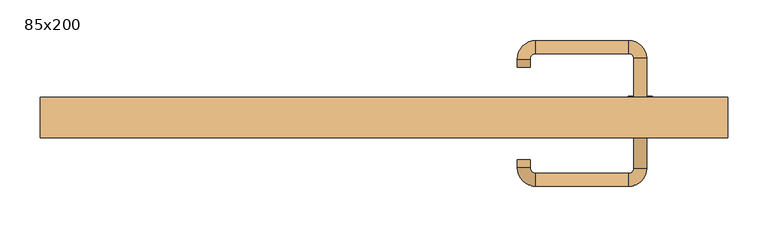
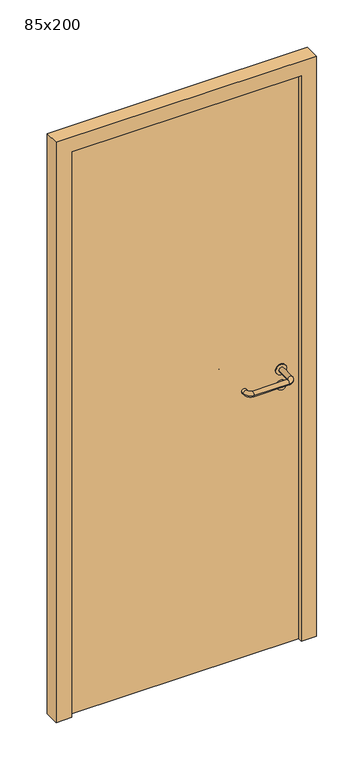
"""IFC4 building model written with IfcOpenShell, lengths in millimetres: door geometry, 85x200."""

from ifc_helpers import new_model, si_unit, point, frame, frame_2d, origin, origin_with_axes, place, context, project, spatial, polyline, circle_curve, ellipse_curve, trimmed, segment, composite_curve, outline, extrude, source, transform, mapped, element, save
from ifc_brep_helpers import plane_surface, cylinder_surface, revolved_surface, advanced_brep


def door_85x200_e581854b(model_context):
    return source(origin(), model_context, "Body", "SolidModel", [
        extrude(outline(composite_curve([segment(trimmed(circle_curve(frame_2d((897.3605726, 317.0)), 15.0), [point((897.3605726, 332.0))], [point((897.3605726, 302.0))], False, "CARTESIAN"), True, "CONTINUOUS"), segment(trimmed(circle_curve(frame_2d((897.3605726, 317.0)), 15.0), [point((897.3605726, 302.0))], [point((897.3605726, 332.0))], False, "CARTESIAN"), True, "CONTINUOUS")], self_intersect=False), holes=[composite_curve([segment(trimmed(circle_curve(frame_2d((892.5833211, 316.9398032)), 2.0), [point((892.5833211, 318.9398032))], [point((892.5833211, 314.9398032))], True, "CARTESIAN"), True, "CONTINUOUS"), segment(polyline([(892.5833211, 314.9398032), (902.5833211, 314.9398032)]), True, "CONTINUOUS"), segment(trimmed(circle_curve(frame_2d((902.5833211, 316.9398032)), 2.0), [point((902.5833211, 314.9398032))], [point((902.5833211, 318.9398032))], True, "CARTESIAN"), True, "CONTINUOUS"), segment(polyline([(902.5833211, 318.9398032), (892.5833211, 318.9398032)]), True, "CONTINUOUS")], self_intersect=False)]), frame((0.0, 43.65, 0.0), z_axis=(0.0, 1.0, 0.0), x_axis=(0.0, 0.0, 1.0)), (0.0, 0.0, 1.0), 6.35),
        extrude(outline(composite_curve([segment(trimmed(circle_curve(frame_2d((950.0, 317.0)), 17.526), [point((950.0, 334.526))], [point((950.0, 299.474))], False, "CARTESIAN"), True, "CONTINUOUS"), segment(trimmed(circle_curve(frame_2d((950.0, 317.0)), 17.526), [point((950.0, 299.474))], [point((950.0, 334.526))], False, "CARTESIAN"), True, "CONTINUOUS")], self_intersect=False)), frame((0.0, 46.825, 0.0), z_axis=(0.0, 1.0, 0.0), x_axis=(0.0, 0.0, 1.0)), (0.0, 0.0, 1.0), 3.175),
        advanced_brep(
        [(325.0, 50.0, 950.0), (309.0, 50.0, 950.0), (309.0, -3.0, 950.0), (325.0, -3.0, 950.0), (302.8578644, -9.1421356, 950.0), (302.8578644, -25.1421356, 950.0), (187.8578644, -9.1421356, 950.0), (187.8578644, -25.1421356, 950.0), (181.008622, -2.2928932, 950.0), (165.008622, -2.2928932, 950.0), (165.008622, 7.7071068, 950.0), (181.008622, 7.7071068, 950.0)],
        [
            (0, 1, circle_curve(frame((317.0, 50.0, 950.0), z_axis=(0.0, 1.0, 0.0), x_axis=(-1.0, 0.0, 0.0)), 8.0)),
            (1, 0, circle_curve(frame((317.0, 50.0, 950.0), z_axis=(0.0, 1.0, 0.0), x_axis=(-1.0, 0.0, 0.0)), 8.0)),
            (1, 2),
            (2, 3, circle_curve(frame((317.0, -3.0, 950.0), z_axis=(0.0, 1.0, 0.0), x_axis=(-1.0, 0.0, 0.0)), 8.0)),
            (3, 0),
            (3, 2, circle_curve(frame((317.0, -3.0, 950.0), z_axis=(0.0, 1.0, 0.0), x_axis=(-1.0, 0.0, 0.0)), 8.0)),
            (4, 5, circle_curve(frame((302.8578644, -17.1421356, 950.0), z_axis=(1.0, 0.0, 0.0), x_axis=(0.0, 1.0, 0.0)), 8.0)),
            (5, 3, circle_curve(frame((302.8578644, -3.0, 950.0), z_axis=(0.0, 0.0, 1.0), x_axis=(1.0, 0.0, 0.0)), 22.1421356)),
            (2, 4, circle_curve(frame((302.8578644, -3.0, 950.0), z_axis=(0.0, 0.0, -1.0), x_axis=(1.0, 0.0, 0.0)), 6.1421356)),
            (5, 4, circle_curve(frame((302.8578644, -17.1421356, 950.0), z_axis=(1.0, 0.0, 0.0), x_axis=(0.0, 1.0, 0.0)), 8.0)),
            (4, 6),
            (6, 7, circle_curve(frame((187.8578644, -17.1421356, 950.0), z_axis=(1.0, 0.0, 0.0), x_axis=(0.0, 1.0, 0.0)), 8.0)),
            (7, 5),
            (7, 6, circle_curve(frame((187.8578644, -17.1421356, 950.0), z_axis=(1.0, 0.0, 0.0), x_axis=(0.0, 1.0, 0.0)), 8.0)),
            (8, 9, circle_curve(frame((173.008622, -2.2928932, 950.0), z_axis=(0.0, -1.0, 0.0), x_axis=(1.0, 0.0, 0.0)), 8.0)),
            (9, 7, circle_curve(frame((187.8578644, -2.2928932, 950.0), z_axis=(0.0, 0.0, 1.0), x_axis=(0.0, -1.0, 0.0)), 22.8492424)),
            (6, 8, circle_curve(frame((187.8578644, -2.2928932, 950.0), z_axis=(0.0, 0.0, -1.0), x_axis=(0.0, -1.0, 0.0)), 6.8492424)),
            (9, 8, circle_curve(frame((173.008622, -2.2928932, 950.0), z_axis=(0.0, -1.0, 0.0), x_axis=(1.0, 0.0, 0.0)), 8.0)),
            (10, 11, circle_curve(frame((173.008622, 7.7071068, 950.0), z_axis=(0.0, 1.0, 0.0), x_axis=(1.0, 0.0, 0.0)), 8.0)),
            (11, 10, circle_curve(frame((173.008622, 7.7071068, 950.0), z_axis=(0.0, 1.0, 0.0), x_axis=(1.0, 0.0, 0.0)), 8.0)),
            (8, 11),
            (10, 9),
        ],
        [
            plane_surface(frame((317.0, 50.0, 170.0), z_axis=(0.0, 1.0, 0.0), x_axis=(0.0, 0.0, 1.0))),
            cylinder_surface(frame((317.0, 50.0, 950.0), z_axis=(0.0, 1.0, 0.0), x_axis=(-1.0, 0.0, 0.0)), 8.0),
            revolved_surface(trimmed(ellipse_curve(frame((317.0, -3.0, 950.0), z_axis=(0.0, -1.0, 0.0), x_axis=(-1.0, 0.0, 0.0)), 8.0, 8.0), [point((325.0, -3.0, 950.0))], [point((309.0, -3.0, 950.0))], True, "CARTESIAN"), (302.8578644, -3.0, 170.0), (0.0, 0.0, 1.0)),
            revolved_surface(trimmed(ellipse_curve(frame((317.0, -3.0, 950.0), z_axis=(0.0, -1.0, 0.0), x_axis=(-1.0, 0.0, 0.0)), 8.0, 8.0), [point((309.0, -3.0, 950.0))], [point((325.0, -3.0, 950.0))], True, "CARTESIAN"), (302.8578644, -3.0, 170.0), (0.0, 0.0, 1.0)),
            cylinder_surface(frame((302.8578644, -17.1421356, 950.0), z_axis=(1.0, 0.0, 0.0), x_axis=(0.0, 1.0, 0.0)), 8.0),
            revolved_surface(trimmed(ellipse_curve(frame((187.8578644, -17.1421356, 950.0), z_axis=(-1.0, 0.0, 0.0), x_axis=(0.0, 1.0, 0.0)), 8.0, 8.0), [point((187.8578644, -25.1421356, 950.0))], [point((187.8578644, -9.1421356, 950.0))], True, "CARTESIAN"), (187.8578644, -2.2928932, 170.0), (0.0, 0.0, 1.0)),
            revolved_surface(trimmed(ellipse_curve(frame((187.8578644, -17.1421356, 950.0), z_axis=(-1.0, 0.0, 0.0), x_axis=(0.0, 1.0, 0.0)), 8.0, 8.0), [point((187.8578644, -9.1421356, 950.0))], [point((187.8578644, -25.1421356, 950.0))], True, "CARTESIAN"), (187.8578644, -2.2928932, 170.0), (0.0, 0.0, 1.0)),
            plane_surface(frame((173.008622, 7.7071068, 170.0), z_axis=(0.0, 1.0, 0.0), x_axis=(0.0, 0.0, 1.0))),
            cylinder_surface(frame((173.008622, -2.2928932, 950.0), z_axis=(0.0, -1.0, 0.0), x_axis=(1.0, 0.0, 0.0)), 8.0),
        ],
        [
            (0, [[1, 2]]),
            (1, [[3, 4, 5, -2]]),
            (1, [[-5, 6, -3, -1]]),
            (2, [[7, 8, -4, 9]]),
            (3, [[10, -9, -6, -8]]),
            (4, [[11, 12, 13, -7]]),
            (4, [[-13, 14, -11, -10]]),
            (5, [[15, 16, -12, 17]]),
            (6, [[18, -17, -14, -16]]),
            (7, [[19, 20]]),
            (8, [[21, -19, 22, -15]]),
            (8, [[-22, -20, -21, -18]]),
        ],
    ),
        extrude(outline(composite_curve([segment(trimmed(circle_curve(frame_2d((0.0, -15.0)), 15.0), [point((0.0, -30.0))], [point((0.0, 0.0))], False, "CARTESIAN"), True, "CONTINUOUS"), segment(trimmed(circle_curve(frame_2d((0.0, -15.0)), 15.0), [point((0.0, 0.0))], [point((0.0, -30.0))], False, "CARTESIAN"), True, "CONTINUOUS")], self_intersect=False), holes=[composite_curve([segment(trimmed(circle_curve(frame_2d((4.7772515, -14.9398032)), 2.0), [point((4.7772515, -16.9398032))], [point((4.7772515, -12.9398032))], True, "CARTESIAN"), True, "CONTINUOUS"), segment(polyline([(4.7772515, -12.9398032), (-5.2227485, -12.9398032)]), True, "CONTINUOUS"), segment(trimmed(circle_curve(frame_2d((-5.2227485, -14.9398032)), 2.0), [point((-5.2227485, -12.9398032))], [point((-5.2227485, -16.9398032))], True, "CARTESIAN"), True, "CONTINUOUS"), segment(polyline([(-5.2227485, -16.9398032), (4.7772515, -16.9398032)]), True, "CONTINUOUS")], self_intersect=False)]), frame((302.0, 80.0, 897.3605726), z_axis=(1.8870575173328306e-12, 1.0, 0.0), x_axis=(0.0, 0.0, -1.0)), (0.0, 0.0, 1.0), 6.35),
        extrude(outline(composite_curve([segment(trimmed(circle_curve(frame_2d((0.0, -17.526)), 17.526), [point((0.0, -35.052))], [point((0.0, 0.0))], False, "CARTESIAN"), True, "CONTINUOUS"), segment(trimmed(circle_curve(frame_2d((0.0, -17.526)), 17.526), [point((0.0, 0.0))], [point((0.0, -35.052))], False, "CARTESIAN"), True, "CONTINUOUS")], self_intersect=False)), frame((299.474, 80.0, 950.0), z_axis=(1.8870575173328306e-12, 1.0, 0.0), x_axis=(0.0, 0.0, -1.0)), (0.0, 0.0, 1.0), 3.175),
        advanced_brep(
        [(325.0, 80.0, 950.0), (309.0, 80.0, 950.0), (325.0, 133.0, 950.0), (309.0, 133.0, 950.0), (302.8578644, 139.1421356, 950.0), (302.8578644, 155.1421356, 950.0), (187.8578644, 155.1421356, 950.0), (187.8578644, 139.1421356, 950.0), (181.008622, 132.2928932, 950.0), (165.008622, 132.2928932, 950.0), (165.008622, 122.2928932, 950.0), (181.008622, 122.2928932, 950.0)],
        [
            (0, 1, circle_curve(frame((317.0, 80.0, 950.0), z_axis=(-1.888672253512351e-12, -1.0, 0.0), x_axis=(-1.0, 1.888672253512351e-12, 0.0)), 8.0)),
            (1, 0, circle_curve(frame((317.0, 80.0, 950.0), z_axis=(-1.888672253512351e-12, -1.0, 0.0), x_axis=(-1.0, 1.888672253512351e-12, 0.0)), 8.0)),
            (0, 2),
            (2, 3, circle_curve(frame((317.0, 133.0, 950.0), z_axis=(-1.888672253512351e-12, -1.0, 0.0), x_axis=(-1.0, 1.888672253512351e-12, 0.0)), 8.0)),
            (3, 1),
            (3, 2, circle_curve(frame((317.0, 133.0, 950.0), z_axis=(-1.888672253512351e-12, -1.0, 0.0), x_axis=(-1.0, 1.888672253512351e-12, 0.0)), 8.0)),
            (4, 3, circle_curve(frame((302.8578644, 133.0, 950.0), z_axis=(0.0, 0.0, -1.0), x_axis=(1.0, -1.880717803715015e-12, 0.0)), 6.1421356)),
            (2, 5, circle_curve(frame((302.8578644, 133.0, 950.0), z_axis=(0.0, 0.0, 1.0), x_axis=(1.0, -1.880717803715015e-12, 0.0)), 22.1421356)),
            (5, 4, circle_curve(frame((302.8578644, 147.1421356, 950.0), z_axis=(1.0, -1.913702061528922e-12, 0.0), x_axis=(-1.913702061528922e-12, -1.0, 0.0)), 8.0)),
            (4, 5, circle_curve(frame((302.8578644, 147.1421356, 950.0), z_axis=(1.0, -1.913702061528922e-12, 0.0), x_axis=(-1.913702061528922e-12, -1.0, 0.0)), 8.0)),
            (5, 6),
            (6, 7, circle_curve(frame((187.8578644, 147.1421356, 950.0), z_axis=(1.0, -1.913719828541269e-12, 0.0), x_axis=(-1.913719828541269e-12, -1.0, 0.0)), 8.0)),
            (7, 4),
            (7, 6, circle_curve(frame((187.8578644, 147.1421356, 950.0), z_axis=(1.0, -1.913719828541269e-12, 0.0), x_axis=(-1.913719828541269e-12, -1.0, 0.0)), 8.0)),
            (8, 7, circle_curve(frame((187.8578644, 132.2928932, 950.0), z_axis=(0.0, 0.0, -1.0), x_axis=(1.9120873253494017e-12, 1.0, 0.0)), 6.8492424)),
            (6, 9, circle_curve(frame((187.8578644, 132.2928932, 950.0), z_axis=(0.0, 0.0, 1.0), x_axis=(1.9120873253494017e-12, 1.0, 0.0)), 22.8492424)),
            (9, 8, circle_curve(frame((173.008622, 132.2928932, 950.0), z_axis=(1.890670654956676e-12, 1.0, 0.0), x_axis=(1.0, -1.890670654956676e-12, 0.0)), 8.0)),
            (8, 9, circle_curve(frame((173.008622, 132.2928932, 950.0), z_axis=(1.890226565746826e-12, 1.0, 0.0), x_axis=(1.0, -1.890226565746826e-12, 0.0)), 8.0)),
            (10, 11, circle_curve(frame((173.008622, 122.2928932, 950.0), z_axis=(-1.8903642334018795e-12, -1.0, 0.0), x_axis=(1.0, -1.8903642334018795e-12, 0.0)), 8.0)),
            (11, 10, circle_curve(frame((173.008622, 122.2928932, 950.0), z_axis=(-1.8903642334018795e-12, -1.0, 0.0), x_axis=(1.0, -1.8903642334018795e-12, 0.0)), 8.0)),
            (9, 10),
            (11, 8),
        ],
        [
            plane_surface(frame((317.0, 80.0, 170.0), z_axis=(-1.8870575173328306e-12, -1.0, 0.0), x_axis=(0.0, 0.0, 1.0))),
            cylinder_surface(frame((317.0, 80.0, 950.0), z_axis=(-1.888672253512351e-12, -1.0, 0.0), x_axis=(-1.0, 1.888672253512351e-12, 0.0)), 8.0),
            revolved_surface(trimmed(ellipse_curve(frame((317.0, 133.0, 950.0), z_axis=(-1.8823325398945356e-12, -1.0, 0.0), x_axis=(-1.0, 1.8823325398945356e-12, 0.0)), 8.0, 8.0), [point((325.0, 133.0, 950.0))], [point((309.0, 133.0, 950.0))], True, "CARTESIAN"), (302.8578644, 133.0, 170.0), (0.0, 0.0, 1.0)),
            revolved_surface(trimmed(ellipse_curve(frame((317.0, 133.0, 950.0), z_axis=(-1.8823325398945356e-12, -1.0, 0.0), x_axis=(-1.0, 1.8823325398945356e-12, 0.0)), 8.0, 8.0), [point((309.0, 133.0, 950.0))], [point((325.0, 133.0, 950.0))], True, "CARTESIAN"), (302.8578644, 133.0, 170.0), (0.0, 0.0, 1.0)),
            cylinder_surface(frame((302.8578644, 147.1421356, 950.0), z_axis=(1.0, -1.913719828541269e-12, 0.0), x_axis=(-1.913719828541269e-12, -1.0, 0.0)), 8.0),
            revolved_surface(trimmed(ellipse_curve(frame((187.8578644, 147.1421356, 950.0), z_axis=(1.0, -1.913702061528922e-12, 0.0), x_axis=(-1.913702061528922e-12, -1.0, 0.0)), 8.0, 8.0), [point((187.8578644, 155.1421356, 950.0))], [point((187.8578644, 139.1421356, 950.0))], True, "CARTESIAN"), (187.8578644, 132.2928932, 170.0), (0.0, 0.0, 1.0)),
            revolved_surface(trimmed(ellipse_curve(frame((187.8578644, 147.1421356, 950.0), z_axis=(1.0, -1.913702061528922e-12, 0.0), x_axis=(-1.913702061528922e-12, -1.0, 0.0)), 8.0, 8.0), [point((187.8578644, 139.1421356, 950.0))], [point((187.8578644, 155.1421356, 950.0))], True, "CARTESIAN"), (187.8578644, 132.2928932, 170.0), (0.0, 0.0, 1.0)),
            plane_surface(frame((173.008622, 122.2928932, 170.0), z_axis=(-1.8887494972223595e-12, -1.0, 0.0), x_axis=(0.0, 0.0, 1.0))),
            cylinder_surface(frame((173.008622, 132.2928932, 950.0), z_axis=(1.8903642334018795e-12, 1.0, 0.0), x_axis=(1.0, -1.8903642334018795e-12, 0.0)), 8.0),
        ],
        [
            (0, [[1, 2]]),
            (1, [[-1, 3, 4, 5]]),
            (1, [[-2, -5, 6, -3]]),
            (2, [[7, -4, 8, 9]]),
            (3, [[-8, -6, -7, 10]]),
            (4, [[-9, 11, 12, 13]]),
            (4, [[-10, -13, 14, -11]]),
            (5, [[15, -12, 16, 17]]),
            (6, [[-16, -14, -15, 18]]),
            (7, [[19, 20]]),
            (8, [[-17, 21, -20, 22]]),
            (8, [[-18, -22, -19, -21]]),
        ],
    ),
        extrude(outline(polyline([(1950.0, 375.0), (0.0, 375.0), (0.0, 425.0), (2000.0, 425.0), (2000.0, -425.0), (0.0, -425.0), (0.0, -375.0), (1950.0, -375.0), (1950.0, 375.0)])), frame((0.0, 35.0, 0.0), z_axis=(0.0, 1.0, 0.0), x_axis=(0.0, 0.0, 1.0)), (0.0, 0.0, 1.0), 50.0),
        extrude(outline(polyline([(-375.0, 80.0), (375.0, 80.0), (375.0, 50.0), (-375.0, 50.0), (-375.0, 80.0)])), origin_with_axes(), (0.0, 0.0, 1.0), 1950.0),
    ])


if __name__ == "__main__":
    model = new_model("IFC4")
    model_context = context("Model", 3, world=origin())
    ifc_project = project(units=[si_unit("LENGTHUNIT", "METRE", prefix="MILLI")], contexts=[model_context])
    site = spatial("IfcSite", under=ifc_project)
    building = spatial("IfcBuilding", under=site)
    placement = place(None, origin())
    door_85x200_shape = door_85x200_e581854b(model_context)
    element("IfcDoor", 1, ObjectType="85x200", at=placement, inside=building, context=model_context, shape_type="MappedRepresentation", body=[
        mapped(door_85x200_shape, transform((0.0, 0.0, 0.0), x_axis=(1.0, 0.0, 0.0), y_axis=(0.0, 1.0, 0.0), z_axis=(0.0, 0.0, 1.0))),
    ])
    save(model, "model.ifc")
